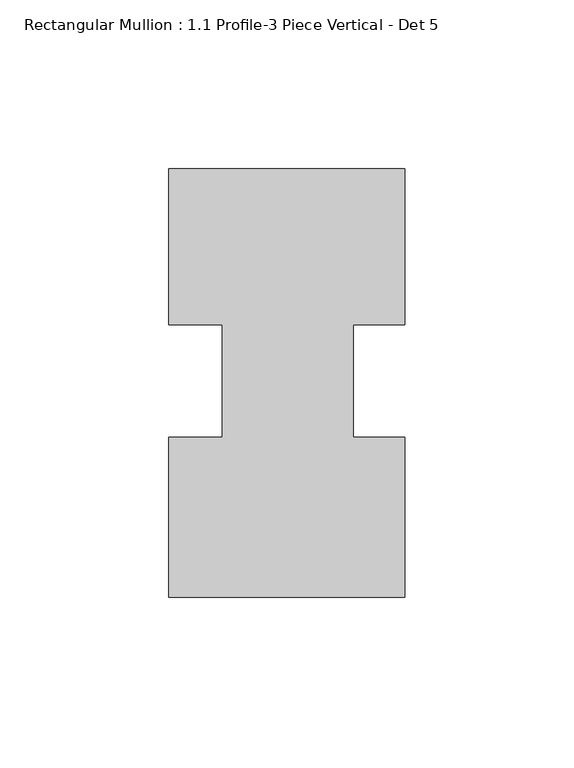
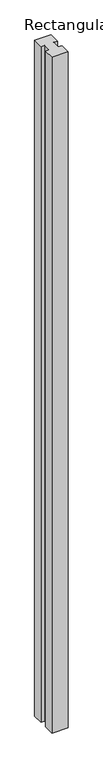
"""IFC4 building model written with IfcOpenShell, lengths in millimetres: member geometry, Rectangular Mullion : 1.1 Profile-3 Piece Vertical - Det 5."""

from ifc_helpers import new_model, si_unit, frame, origin, place, context, project, spatial, polyline, outline, extrude, source, transform, mapped, element, save


def rectangular_mullion_1_1_profile_3_piece_vertical_det_5_9fed6f85(model_context):
    return source(origin(), model_context, "Body", "SweptSolid", [
        extrude(outline(polyline([(-6e-07, -63.5), (-69.9423164, -63.5), (-69.9423164, -16.0175249), (-54.0673164, -16.0175249), (-54.0673164, 17.2625942), (-69.9423164, 17.2625942), (-69.9423164, 63.5), (0.0, 63.5), (0.0, 17.3122036), (-15.3323164, 17.3122036), (-15.3323164, -16.0175249), (-6e-07, -16.0175249), (-6e-07, -63.5)])), frame((0.0, 0.0, -3048.0), z_axis=(0.0, 0.0, 1.0), x_axis=(1.0, 0.0, 0.0)), (0.0, 0.0, 1.0), 3048.0),
    ])


if __name__ == "__main__":
    model = new_model("IFC4")
    model_context = context("Model", 3, world=origin())
    ifc_project = project(units=[si_unit("LENGTHUNIT", "METRE", prefix="MILLI")], contexts=[model_context])
    site = spatial("IfcSite", under=ifc_project)
    building = spatial("IfcBuilding", under=site)
    placement = place(None, origin())
    rectangular_mullion_1_1_profile_3_piece_vertical_det_5_shape = rectangular_mullion_1_1_profile_3_piece_vertical_det_5_9fed6f85(model_context)
    element("IfcMember", 1, ObjectType="Rectangular Mullion : 1.1 Profile-3 Piece Vertical - Det 5", at=placement, inside=building, context=model_context, shape_type="MappedRepresentation", body=[
        mapped(rectangular_mullion_1_1_profile_3_piece_vertical_det_5_shape, transform((0.0, 0.0, 0.0), x_axis=(1.0, 0.0, 0.0), y_axis=(0.0, 1.0, 0.0), z_axis=(0.0, 0.0, 1.0))),
    ])
    save(model, "model.ifc")
